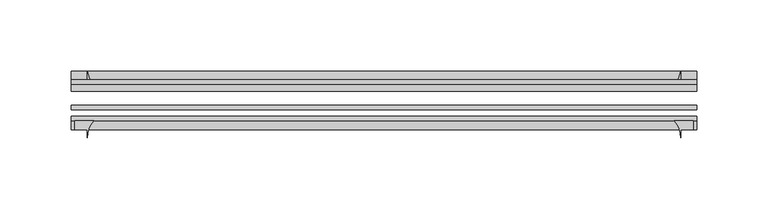
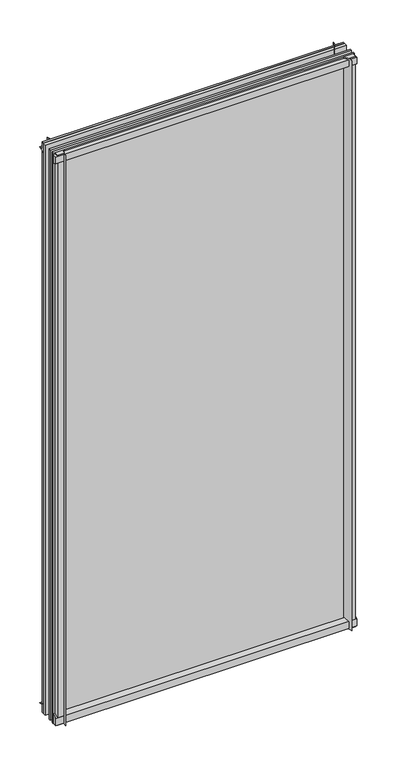
"""IFC4 building model written with IfcOpenShell, lengths in millimetres: plate geometry."""

from ifc_helpers import new_model, si_unit, point, frame, frame_2d, origin, place, context, project, spatial, polyline, circle_curve, trimmed, segment, composite_curve, outline, extrude, source, transform, mapped, element, save


def plate_f727a0e8(model_context):
    return source(origin(), model_context, "Body", "SweptSolid", [
        extrude(outline(composite_curve([segment(polyline([(-42.891075, -11.1125), (-42.891075, 3.8539528)]), True, "CONTINUOUS"), segment(trimmed(circle_curve(frame_2d((-26.637892, 29.5913262)), 30.4397495), [point((-42.891075, 3.8539528))], [point((-33.7745413, 0.0))], True, "CARTESIAN"), True, "CONTINUOUS"), segment(polyline([(-33.7745413, 0.0), (-39.690675, 0.0), (-39.690675, -11.1125), (-42.891075, -11.1125)]), True, "CONTINUOUS")], self_intersect=False)), frame((-219.0750001, 0.0, 0.0), z_axis=(1.0, 0.0, 0.0), x_axis=(0.0, 1.0, 0.0)), (0.0, 0.0, 1.0), 438.1500003),
        extrude(outline(composite_curve([segment(trimmed(circle_curve(frame_2d((-80.4922797, 17.8701603)), 18.6769817), [point((-74.641075, 0.1333891))], [point((-68.291075, 3.72943))], True, "CARTESIAN"), True, "CONTINUOUS"), segment(polyline([(-68.291075, 3.72943), (-68.291075, -10.3251), (-74.641075, -10.3251), (-74.641075, 0.1333891)]), True, "CONTINUOUS")], self_intersect=False)), frame((-219.0750001, 0.0, 0.0), z_axis=(1.0, 0.0, 0.0), x_axis=(0.0, 1.0, 0.0)), (0.0, 0.0, 1.0), 438.1500003),
        extrude(outline(composite_curve([segment(polyline([(-42.891075, 850.2083472), (-42.891075, 865.1875), (-39.690675, 865.1875), (-39.690675, 854.075), (-33.721675, 854.075)]), True, "CONTINUOUS"), segment(trimmed(circle_curve(frame_2d((-26.637892, 824.4709738)), 30.4397495), [point((-33.721675, 854.075))], [point((-42.891075, 850.2083472))], True, "CARTESIAN"), True, "CONTINUOUS")], self_intersect=False)), frame((-219.0750001, 0.0, 0.0), z_axis=(1.0, 0.0, 0.0), x_axis=(0.0, 1.0, 0.0)), (0.0, 0.0, 1.0), 438.1500003),
        extrude(outline(composite_curve([segment(polyline([(-68.291075, 862.8126), (-68.291075, 849.53912)]), True, "CONTINUOUS"), segment(trimmed(circle_curve(frame_2d((-80.4922797, 835.3983897)), 18.6769817), [point((-68.291075, 849.53912))], [point((-74.641075, 853.1351609))], True, "CARTESIAN"), True, "CONTINUOUS"), segment(polyline([(-74.641075, 853.1351609), (-74.641075, 862.8126), (-68.291075, 862.8126)]), True, "CONTINUOUS")], self_intersect=False)), frame((-219.0750001, 0.0, 0.0), z_axis=(1.0, 0.0, 0.0), x_axis=(0.0, 1.0, 0.0)), (0.0, 0.0, 1.0), 438.1500003),
        extrude(outline(composite_curve([segment(polyline([(203.4266201, -68.291075), (216.7001001, -68.291075), (216.7001001, -74.641075), (207.9625001, -74.641075), (207.9625001, -80.3744844)]), True, "CONTINUOUS"), segment(trimmed(circle_curve(frame_2d((189.2858899, -80.4922797)), 18.6769817), [point((207.9625001, -80.3744844))], [point((203.4266201, -68.291075))], True, "CARTESIAN"), True, "CONTINUOUS")], self_intersect=False)), frame((0.0, 0.0, -11.1125), z_axis=(0.0, 0.0, 1.0), x_axis=(1.0, 0.0, 0.0)), (0.0, 0.0, 1.0), 876.3),
        extrude(outline(composite_curve([segment(trimmed(circle_curve(frame_2d((178.3584739, -26.637892)), 30.4397495), [point((204.0958474, -42.891075))], [point((207.9625001, -33.721675))], True, "CARTESIAN"), True, "CONTINUOUS"), segment(polyline([(207.9625001, -33.721675), (207.9625001, -39.690675), (219.0750001, -39.690675), (219.0750001, -42.891075), (204.0958474, -42.891075)]), True, "CONTINUOUS")], self_intersect=False)), frame((0.0, 0.0, -11.1125), z_axis=(0.0, 0.0, 1.0), x_axis=(1.0, 0.0, 0.0)), (0.0, 0.0, 1.0), 876.3),
        extrude(outline(composite_curve([segment(trimmed(circle_curve(frame_2d((-189.2858899, -80.4922797)), 18.6769817), [point((-203.4266201, -68.291075))], [point((-207.9625001, -80.3744844))], True, "CARTESIAN"), True, "CONTINUOUS"), segment(polyline([(-207.9625001, -80.3744844), (-207.9625001, -74.641075), (-216.7001001, -74.641075), (-216.7001001, -68.291075), (-203.4266201, -68.291075)]), True, "CONTINUOUS")], self_intersect=False)), frame((0.0, 0.0, -11.1125), z_axis=(0.0, 0.0, 1.0), x_axis=(1.0, 0.0, 0.0)), (0.0, 0.0, 1.0), 876.3),
        extrude(outline(composite_curve([segment(polyline([(-204.0958474, -42.891075), (-219.0750001, -42.891075), (-219.0750001, -39.690675), (-207.9625001, -39.690675), (-207.9625001, -33.721675)]), True, "CONTINUOUS"), segment(trimmed(circle_curve(frame_2d((-178.3584739, -26.637892)), 30.4397495), [point((-207.9625001, -33.721675))], [point((-204.0958474, -42.891075))], True, "CARTESIAN"), True, "CONTINUOUS")], self_intersect=False)), frame((0.0, 0.0, -11.1125), z_axis=(0.0, 0.0, 1.0), x_axis=(1.0, 0.0, 0.0)), (0.0, 0.0, 1.0), 876.3),
        extrude(outline(polyline([(-219.0750001, -42.891075), (219.0750001, -42.891075), (219.0750001, -47.653575), (-219.0750001, -47.653575), (-219.0750001, -42.891075)])), frame((0.0, 0.0, -11.1125), z_axis=(0.0, 0.0, 1.0), x_axis=(1.0, 0.0, 0.0)), (0.0, 0.0, 1.0), 876.3),
        extrude(outline(polyline([(219.0750001, -57.369075), (219.0750001, -60.544075), (-219.0750001, -60.544075), (-219.0750001, -57.369075), (219.0750001, -57.369075)])), frame((0.0, 0.0, -11.1125), z_axis=(0.0, 0.0, 1.0), x_axis=(1.0, 0.0, 0.0)), (0.0, 0.0, 1.0), 876.3),
        extrude(outline(polyline([(-219.0750001, -65.116075), (219.0750001, -65.116075), (219.0750001, -68.291075), (-219.0750001, -68.291075), (-219.0750001, -65.116075)])), frame((0.0, 0.0, -11.1125), z_axis=(0.0, 0.0, 1.0), x_axis=(1.0, 0.0, 0.0)), (0.0, 0.0, 1.0), 876.3),
    ])


if __name__ == "__main__":
    model = new_model("IFC4")
    model_context = context("Model", 3, world=origin())
    ifc_project = project(units=[si_unit("LENGTHUNIT", "METRE", prefix="MILLI")], contexts=[model_context])
    site = spatial("IfcSite", under=ifc_project)
    building = spatial("IfcBuilding", under=site)
    placement = place(None, origin())
    plate_shape = plate_f727a0e8(model_context)
    element("IfcPlate", 1, at=placement, inside=building, context=model_context, shape_type="MappedRepresentation", body=[
        mapped(plate_shape, transform((0.0, 0.0, 0.0), x_axis=(1.0, 0.0, 0.0), y_axis=(0.0, 1.0, 0.0), z_axis=(0.0, 0.0, 1.0))),
    ])
    save(model, "model.ifc")
